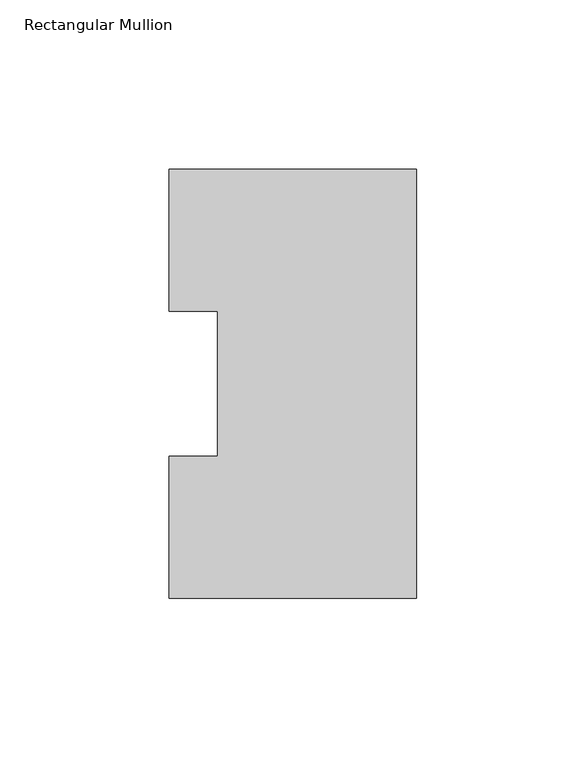
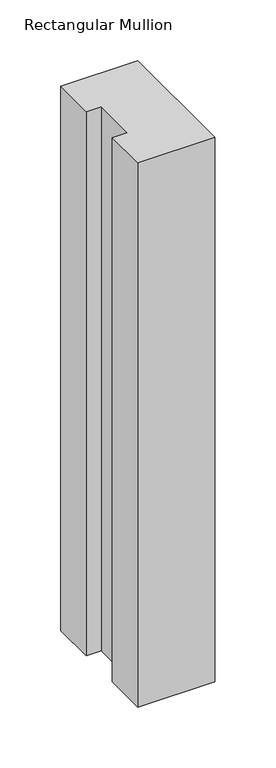
"""IFC4 building model written with IfcOpenShell, lengths in millimetres: member geometry, Rectangular Mullion."""

import ifcopenshell
import ifcopenshell.guid

model = None  # the IFC model being written
_history = None  # IfcOwnerHistory: only IFC2X3 demands one
_inside = {}  # id of a spatial element -> (the spatial element, [elements in it])
_under = {}  # id of a project, library or spatial element -> (it, [spatial elements below it])
_declared = {}  # id of a project -> (the project, [libraries it declares])
_typed = {}  # id of a type object -> (the type object, [elements of that type])
_made_of = {}  # id of a material, layer set ... -> (it, [elements and type objects made of it])


def new_model(schema):
    """Start an empty IFC model of exactly this schema.

    Asked for "IFC4X3", IfcOpenShell would pick the latest addendum, in which some entities
    have other attributes; the version numbers below select the first issue.
    IFC2X3 requires an IfcOwnerHistory on every rooted entity: one is made here for all.
    """
    global model, _history
    if schema == "IFC4X3":
        model = ifcopenshell.file(schema_version=(4, 3, 0, 0))
    else:
        model = ifcopenshell.file(schema=schema)
    _inside.clear()
    _under.clear()
    _declared.clear()
    _typed.clear()
    _made_of.clear()
    _history = None
    if model.schema == "IFC2X3":
        org = make("IfcOrganization", Name="unknown")
        user = make(
            "IfcPersonAndOrganization",
            ThePerson=make("IfcPerson", FamilyName="unknown"),
            TheOrganization=org,
        )
        app = make(
            "IfcApplication",
            ApplicationDeveloper=org,
            Version="unknown",
            ApplicationFullName="unknown",
            ApplicationIdentifier="unknown",
        )
        _history = make(
            "IfcOwnerHistory",
            OwningUser=user,
            OwningApplication=app,
            ChangeAction="ADDED",
            CreationDate=0,
        )
    return model


def make(cls, **values):
    """One entity of the class cls with the attributes given. An attribute that is None is left unset."""
    return model.create_entity(
        cls, **{name: value for name, value in values.items() if value is not None}
    )


def rooted(cls, **values):
    """An entity with a GlobalId (a new one), such as an element, a storey or a relation."""
    return make(cls, GlobalId=ifcopenshell.guid.new(), OwnerHistory=_history, **values)


def si_unit(unit_type, name, prefix=None):
    """IfcSIUnit, for example si_unit("LENGTHUNIT", "METRE", prefix="MILLI")."""
    return make("IfcSIUnit", UnitType=unit_type, Prefix=prefix, Name=name)


def assignment(units):
    """IfcUnitAssignment: the units of a project."""
    return None if units is None else make("IfcUnitAssignment", Units=units)


def point(xyz):
    """IfcCartesianPoint."""
    return None if xyz is None else make("IfcCartesianPoint", Coordinates=xyz)


def direction(xyz):
    """IfcDirection."""
    return None if xyz is None else make("IfcDirection", DirectionRatios=xyz)


def frame(location, z_axis=None, x_axis=None):
    """IfcAxis2Placement3D, a coordinate frame: its origin and axes. An axis left out is left unset."""
    return make(
        "IfcAxis2Placement3D",
        Location=point(location),
        Axis=direction(z_axis),
        RefDirection=direction(x_axis),
    )


def origin():
    """The frame at (0, 0, 0) with its axes left unset."""
    return frame((0.0, 0.0, 0.0))


def place(relative_to, where):
    """IfcLocalPlacement: puts the frame where relative to a parent placement (None: the world)."""
    return make(
        "IfcLocalPlacement", PlacementRelTo=relative_to, RelativePlacement=where
    )


def context(
    kind, dimensions, precision=None, world=None, true_north=None, identifier=None
):
    """IfcGeometricRepresentationContext, for example the 3D "Model" context."""
    return make(
        "IfcGeometricRepresentationContext",
        ContextIdentifier=identifier,
        ContextType=kind,
        CoordinateSpaceDimension=dimensions,
        Precision=precision,
        WorldCoordinateSystem=world,
        TrueNorth=true_north,
    )


def project(units=None, contexts=None):
    """IfcProject with its units and contexts."""
    return rooted(
        "IfcProject",
        Name="project",
        RepresentationContexts=contexts,
        UnitsInContext=assignment(units),
    )


def spatial(cls, under=None, at=None, **own):
    """A site, building, storey or space (cls), placed at a placement, below another one or the project."""
    s = rooted(cls, ObjectPlacement=at, **own)
    if under is not None:
        _under.setdefault(under.id(), (under, []))[1].append(s)
    return s


def polyline(points):
    """IfcPolyline through the points."""
    return make("IfcPolyline", Points=[point(p) for p in points])


def outline(outer, holes=None, kind="AREA"):
    """IfcArbitraryClosedProfileDef: a profile drawn as a closed curve; with holes, ...WithVoids."""
    if holes is None:
        return make("IfcArbitraryClosedProfileDef", ProfileType=kind, OuterCurve=outer)
    return make(
        "IfcArbitraryProfileDefWithVoids",
        ProfileType=kind,
        OuterCurve=outer,
        InnerCurves=holes,
    )


def extrude(swept, where, along, depth):
    """IfcExtrudedAreaSolid: the profile swept, set in the frame where, extruded along a direction by depth."""
    return make(
        "IfcExtrudedAreaSolid",
        SweptArea=swept,
        Position=where,
        ExtrudedDirection=direction(along),
        Depth=depth,
    )


def shape(context_of_items, identifier, shape_type, items):
    """IfcShapeRepresentation: the items that make up one representation, for example the "Body"."""
    return make(
        "IfcShapeRepresentation",
        ContextOfItems=context_of_items,
        RepresentationIdentifier=identifier,
        RepresentationType=shape_type,
        Items=items,
    )


def source(mapping_origin, context_of_items, identifier, shape_type, items):
    """IfcRepresentationMap: a shape defined once, which mapped items show again and again."""
    return make(
        "IfcRepresentationMap",
        MappingOrigin=mapping_origin,
        MappedRepresentation=shape(context_of_items, identifier, shape_type, items),
    )


def transform(
    local_origin,
    x_axis=None,
    y_axis=None,
    z_axis=None,
    scale=None,
    scale2=None,
    scale3=None,
    uniform=True,
):
    """IfcCartesianTransformationOperator3D, or its non-uniform kind. x_axis, y_axis, z_axis: its Axis1, 2, 3."""
    if uniform:
        return make(
            "IfcCartesianTransformationOperator3D",
            Axis1=direction(x_axis),
            Axis2=direction(y_axis),
            LocalOrigin=point(local_origin),
            Scale=scale,
            Axis3=direction(z_axis),
        )
    return make(
        "IfcCartesianTransformationOperator3DnonUniform",
        Axis1=direction(x_axis),
        Axis2=direction(y_axis),
        LocalOrigin=point(local_origin),
        Scale=scale,
        Axis3=direction(z_axis),
        Scale2=scale2,
        Scale3=scale3,
    )


def mapped(mapping_source, mapping_target):
    """IfcMappedItem: shows the shape of a source again, moved by a transform."""
    return make(
        "IfcMappedItem", MappingSource=mapping_source, MappingTarget=mapping_target
    )


def made_of(thing, what):
    """Note that an element or type object is made of a material, layer set ...; save() writes the relation."""
    if what is not None:
        _made_of.setdefault(what.id(), (what, []))[1].append(thing)
    return thing


def element(
    cls,
    number,
    at=None,
    inside=None,
    cuts=None,
    type_object=None,
    material=None,
    context=None,
    identifier="Body",
    shape_type=None,
    held_by="IfcProductDefinitionShape",
    body=None,
    shapes=None,
    **own,
):
    """One element of the class cls, such as IfcWall. Its Tag is "e" and its number.

    at: its placement. inside: the storey or other place that contains it. cuts: it is an
    opening in that element (IfcRelVoidsElement). A single representation is given by context,
    identifier, shape_type and body (its items); several are given by shapes. held_by: the class
    of the entity that holds the representations. save() writes the other relations.
    """
    e = rooted(cls, Tag="e%d" % number, ObjectPlacement=at, **own)
    if body is not None:
        shapes = [shape(context, identifier, shape_type, body)]
    if shapes is not None:
        e.Representation = make(held_by, Representations=shapes)
    if inside is not None:
        _inside.setdefault(inside.id(), (inside, []))[1].append(e)
    if cuts is not None:
        rooted(
            "IfcRelVoidsElement", RelatingBuildingElement=cuts, RelatedOpeningElement=e
        )
    if type_object is not None:
        _typed.setdefault(type_object.id(), (type_object, []))[1].append(e)
    return made_of(e, material)


def aggregate(whole, parts):
    """IfcRelAggregates: a whole, such as a stair, and the parts it consists of."""
    return rooted("IfcRelAggregates", RelatingObject=whole, RelatedObjects=parts)


def save(model, path):
    """Write the relations noted so far, then the file.

    IfcRelAggregates (storeys below a building ...), IfcRelContainedInSpatialStructure (elements
    in a storey), IfcRelDefinesByType, IfcRelAssociatesMaterial and IfcRelDeclares: one each for
    every whole, place, type object, material and project.
    """
    for whole, parts in _under.values():
        aggregate(whole, parts)
    for where, things in _inside.values():
        rooted(
            "IfcRelContainedInSpatialStructure",
            RelatedElements=things,
            RelatingStructure=where,
        )
    for kind, things in _typed.values():
        rooted("IfcRelDefinesByType", RelatedObjects=things, RelatingType=kind)
    for what, things in _made_of.values():
        rooted("IfcRelAssociatesMaterial", RelatedObjects=things, RelatingMaterial=what)
    for by, libraries in _declared.values():
        rooted("IfcRelDeclares", RelatingContext=by, RelatedDefinitions=libraries)
    model.write(path)


def rectangular_mullion_aa9aaf5f(model_context):
    return source(origin(), model_context, "Body", "SweptSolid", [
        extrude(outline(polyline([(0.0, 126.4546938), (0.0, -0.0373062), (-73.025, -0.0373062), (-73.025, 41.7837937), (-58.7375, 41.7837937), (-58.7375, 84.6335937), (-73.025, 84.6335937), (-73.025, 126.4546938), (0.0, 126.4546938)])), frame((0.0, 0.0, -546.1), z_axis=(0.0, 0.0, 1.0), x_axis=(1.0, 0.0, 0.0)), (0.0, 0.0, 1.0), 546.1),
    ])


if __name__ == "__main__":
    model = new_model("IFC4")
    model_context = context("Model", 3, world=origin())
    ifc_project = project(units=[si_unit("LENGTHUNIT", "METRE", prefix="MILLI")], contexts=[model_context])
    site = spatial("IfcSite", under=ifc_project)
    building = spatial("IfcBuilding", under=site)
    placement = place(None, origin())
    rectangular_mullion_shape = rectangular_mullion_aa9aaf5f(model_context)
    element("IfcMember", 1, ObjectType="Rectangular Mullion", at=placement, inside=building, context=model_context, shape_type="MappedRepresentation", body=[
        mapped(rectangular_mullion_shape, transform((0.0, 0.0, 0.0), x_axis=(1.0, 0.0, 0.0), y_axis=(0.0, 1.0, 0.0), z_axis=(0.0, 0.0, 1.0))),
    ])
    save(model, "model.ifc")
